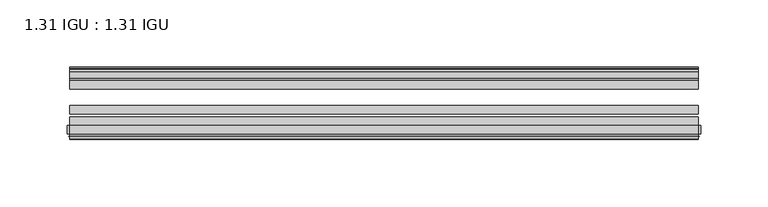
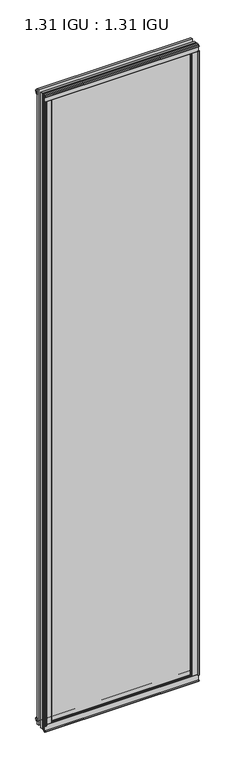
"""IFC4 building model written with IfcOpenShell, lengths in millimetres: plate geometry, 1.31 IGU : 1.31 IGU."""

from ifc_helpers import new_model, si_unit, point, frame, frame_2d, origin, origin_with_axes, place, context, project, spatial, polyline, circle_curve, trimmed, segment, composite_curve, outline, extrude, source, transform, mapped, element, save


def plate_1_31_igu_1_31_igu_4ad32b7f(model_context):
    return source(origin(), model_context, "Body", "SweptSolid", [
        extrude(outline(polyline([(220.1239818, -11.1943457), (218.7219485, -11.5700195), (218.4918583, -10.7113114), (220.9048583, -10.06475), (223.3178583, -10.7113114), (223.0877682, -11.5700195), (221.6857348, -11.1943457), (222.3018583, -13.49375), (225.9804324, -13.49375), (225.9804324, -18.1284104), (224.5517878, -19.84375), (212.8391171, -19.84375), (214.5548583, -13.49375), (219.5078583, -13.49375), (220.1239818, -11.1943457)])), origin_with_axes(), (0.0, 0.0, 1.0), 1993.9),
        extrude(outline(polyline([(-220.1239818, -11.1943457), (-219.5078583, -13.49375), (-214.5548583, -13.49375), (-212.8391171, -19.84375), (-224.5517878, -19.84375), (-225.9804324, -18.1284104), (-225.9804324, -13.49375), (-222.3018583, -13.49375), (-221.6857348, -11.1943457), (-223.0877682, -11.5700195), (-223.3178583, -10.7113114), (-220.9048583, -10.06475), (-218.4918583, -10.7113114), (-218.7219485, -11.5700195), (-220.1239818, -11.1943457)])), origin_with_axes(), (0.0, 0.0, 1.0), 1993.9),
        extrude(outline(polyline([(-13.49375, -5.7276998), (-11.1943457, -6.3438233), (-11.5700195, -4.9417899), (-10.7113114, -4.7116998), (-10.06475, -7.1246998), (-10.7113114, -9.5376998), (-11.5700195, -9.3076097), (-11.1943457, -7.9055763), (-13.49375, -8.5216998), (-13.49375, -12.2002739), (-18.1284104, -12.2002739), (-19.84375, -10.7716292), (-19.84375, 0.9410414), (-13.49375, -0.7746998), (-13.49375, -5.7276998)])), frame((-232.8174583, 0.0, 0.0), z_axis=(1.0, 0.0, 0.0), x_axis=(0.0, 1.0, 0.0)), (0.0, 0.0, 1.0), 465.6349167),
        extrude(outline(composite_curve([segment(polyline([(-55.9719113, 2.457708), (-53.16855, 3.0868452), (-53.16855, -20.9097918), (-59.51855, -20.9097918), (-59.51855, -18.6868471), (-62.0391488, -18.0752025), (-61.5965021, -19.0933159), (-61.5965021, -19.98942), (-63.2729251, -17.4063265), (-61.3290281, -15.2058028), (-61.3290281, -16.0360741), (-61.9417436, -16.9618553), (-59.51855, -16.8077164), (-59.51855, 0.6826418)]), True, "CONTINUOUS"), segment(trimmed(circle_curve(frame_2d((-58.24855, 0.6826418)), 1.27), [point((-59.51855, 0.6826418))], [point((-58.6007815, 1.9028193))], False, "CARTESIAN"), True, "CONTINUOUS"), segment(polyline([(-58.6007815, 1.9028193), (-55.9719113, 2.457708)]), True, "CONTINUOUS")], self_intersect=False)), frame((-232.8174583, 0.0, 0.0), z_axis=(1.0, 0.0, 0.0), x_axis=(0.0, 1.0, 0.0)), (0.0, 0.0, 1.0), 465.6349167),
        extrude(outline(polyline([(-13.49375, 1999.6276998), (-13.49375, 1994.6746998), (-19.84375, 1992.9589586), (-19.84375, 2004.6716292), (-18.1284104, 2006.1002739), (-13.49375, 2006.1002739), (-13.49375, 2002.4216998), (-11.1943457, 2001.8055763), (-11.5700195, 2003.2076097), (-10.7113114, 2003.4376998), (-10.06475, 2001.0246998), (-10.7113114, 1998.6116998), (-11.5700195, 1998.8417899), (-11.1943457, 2000.2438233), (-13.49375, 1999.6276998)])), frame((-232.8174583, 0.0, 0.0), z_axis=(1.0, 0.0, 0.0), x_axis=(0.0, 1.0, 0.0)), (0.0, 0.0, 1.0), 465.6349167),
        extrude(outline(composite_curve([segment(polyline([(-55.9719113, 1991.442292), (-58.6007815, 1991.9971807)]), True, "CONTINUOUS"), segment(trimmed(circle_curve(frame_2d((-58.24855, 1993.2173582)), 1.27), [point((-58.6007815, 1991.9971807))], [point((-59.51855, 1993.2173582))], False, "CARTESIAN"), True, "CONTINUOUS"), segment(polyline([(-59.51855, 1993.2173582), (-59.51855, 2010.7077164), (-61.9417436, 2010.8618553), (-61.3290281, 2009.9360741), (-61.3290281, 2009.1058028), (-63.2729251, 2011.3063265), (-61.5965021, 2013.88942), (-61.5965021, 2012.9933159), (-62.0391488, 2011.9752025), (-59.51855, 2012.5868471), (-59.51855, 2014.8097918), (-53.16855, 2014.8097918), (-53.16855, 1990.8131548), (-55.9719113, 1991.442292)]), True, "CONTINUOUS")], self_intersect=False)), frame((-232.8174583, 0.0, 0.0), z_axis=(1.0, 0.0, 0.0), x_axis=(0.0, 1.0, 0.0)), (0.0, 0.0, 1.0), 465.6349167),
        extrude(outline(composite_curve([segment(polyline([(-231.186485, -63.2729251), (-233.7695785, -61.5965021), (-232.8734744, -61.5965021), (-231.855361, -62.0391488), (-232.4670056, -59.51855), (-234.6899503, -59.51855), (-234.6899503, -53.16855), (-210.6933134, -53.16855), (-211.3224506, -55.9719113), (-211.8773393, -58.6007815)]), True, "CONTINUOUS"), segment(trimmed(circle_curve(frame_2d((-213.0975167, -58.24855)), 1.27), [point((-211.8773393, -58.6007815))], [point((-213.0975167, -59.51855))], False, "CARTESIAN"), True, "CONTINUOUS"), segment(polyline([(-213.0975167, -59.51855), (-230.587875, -59.51855), (-230.7420138, -61.9417436), (-229.8162326, -61.3290281), (-229.0047046, -61.3290281), (-231.186485, -63.2729251)]), True, "CONTINUOUS")], self_intersect=False)), origin_with_axes(), (0.0, 0.0, 1.0), 1993.9),
        extrude(outline(composite_curve([segment(polyline([(231.186485, -63.2729251), (229.0047046, -61.3290281), (229.8162326, -61.3290281), (230.7420138, -61.9417436), (230.587875, -59.51855), (213.0975167, -59.51855)]), True, "CONTINUOUS"), segment(trimmed(circle_curve(frame_2d((213.0975167, -58.24855)), 1.27), [point((213.0975167, -59.51855))], [point((211.8773393, -58.6007815))], False, "CARTESIAN"), True, "CONTINUOUS"), segment(polyline([(211.8773393, -58.6007815), (211.3224506, -55.9719113), (210.6933134, -53.16855), (234.6899503, -53.16855), (234.6899503, -59.51855), (232.4670056, -59.51855), (231.855361, -62.0391488), (232.8734744, -61.5965021), (233.7695785, -61.5965021), (231.186485, -63.2729251)]), True, "CONTINUOUS")], self_intersect=False)), origin_with_axes(), (0.0, 0.0, 1.0), 1993.9),
        extrude(outline(polyline([(232.8174583, -19.84375), (232.8174583, -26.14295), (-232.8174583, -26.14295), (-232.8174583, -19.84375), (232.8174583, -19.84375)])), frame((0.0, 0.0, -19.05), z_axis=(0.0, 0.0, 1.0), x_axis=(1.0, 0.0, 0.0)), (0.0, 0.0, 1.0), 2032.0),
        extrude(outline(polyline([(-232.8174583, -44.83735), (-232.8174583, -38.53815), (232.8174583, -38.53815), (232.8174583, -44.83735), (-232.8174583, -44.83735)])), frame((0.0, 0.0, -19.05), z_axis=(0.0, 0.0, 1.0), x_axis=(1.0, 0.0, 0.0)), (0.0, 0.0, 1.0), 2032.0),
        extrude(outline(polyline([(-232.8174583, -53.16855), (-232.8174583, -46.86935), (232.8174583, -46.86935), (232.8174583, -53.16855), (-232.8174583, -53.16855)])), frame((0.0, 0.0, -19.05), z_axis=(0.0, 0.0, 1.0), x_axis=(1.0, 0.0, 0.0)), (0.0, 0.0, 1.0), 2032.0),
    ])


if __name__ == "__main__":
    model = new_model("IFC4")
    model_context = context("Model", 3, world=origin())
    ifc_project = project(units=[si_unit("LENGTHUNIT", "METRE", prefix="MILLI")], contexts=[model_context])
    site = spatial("IfcSite", under=ifc_project)
    building = spatial("IfcBuilding", under=site)
    placement = place(None, origin())
    plate_1_31_igu_1_31_igu_shape = plate_1_31_igu_1_31_igu_4ad32b7f(model_context)
    element("IfcPlate", 1, ObjectType="1.31 IGU : 1.31 IGU", at=placement, inside=building, context=model_context, shape_type="MappedRepresentation", body=[
        mapped(plate_1_31_igu_1_31_igu_shape, transform((0.0, 0.0, 0.0), x_axis=(1.0, 0.0, 0.0), y_axis=(0.0, 1.0, 0.0), z_axis=(0.0, 0.0, 1.0))),
    ])
    save(model, "model.ifc")
